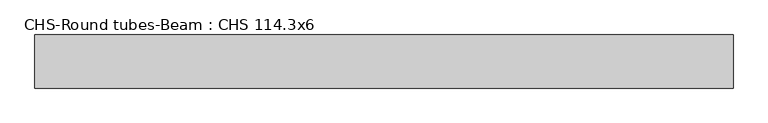
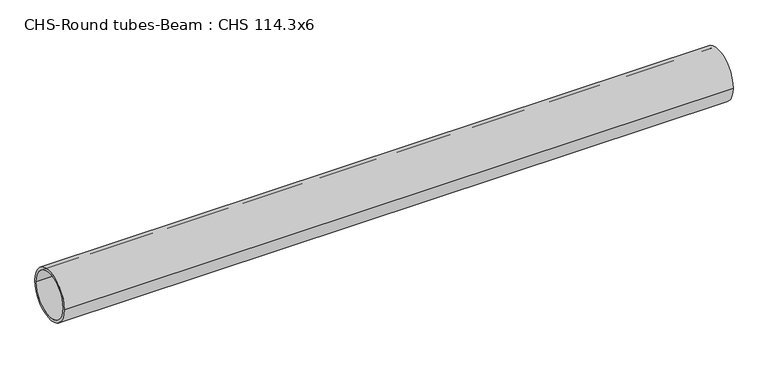
"""IFC4 building model written with IfcOpenShell, lengths in millimetres: beam geometry, CHS-Round tubes-Beam : CHS 114.3x6."""

import ifcopenshell
import ifcopenshell.guid

model = None  # the IFC model being written
_history = None  # IfcOwnerHistory: only IFC2X3 demands one
_inside = {}  # id of a spatial element -> (the spatial element, [elements in it])
_under = {}  # id of a project, library or spatial element -> (it, [spatial elements below it])
_declared = {}  # id of a project -> (the project, [libraries it declares])
_typed = {}  # id of a type object -> (the type object, [elements of that type])
_made_of = {}  # id of a material, layer set ... -> (it, [elements and type objects made of it])


def new_model(schema):
    """Start an empty IFC model of exactly this schema.

    Asked for "IFC4X3", IfcOpenShell would pick the latest addendum, in which some entities
    have other attributes; the version numbers below select the first issue.
    IFC2X3 requires an IfcOwnerHistory on every rooted entity: one is made here for all.
    """
    global model, _history
    if schema == "IFC4X3":
        model = ifcopenshell.file(schema_version=(4, 3, 0, 0))
    else:
        model = ifcopenshell.file(schema=schema)
    _inside.clear()
    _under.clear()
    _declared.clear()
    _typed.clear()
    _made_of.clear()
    _history = None
    if model.schema == "IFC2X3":
        org = make("IfcOrganization", Name="unknown")
        user = make(
            "IfcPersonAndOrganization",
            ThePerson=make("IfcPerson", FamilyName="unknown"),
            TheOrganization=org,
        )
        app = make(
            "IfcApplication",
            ApplicationDeveloper=org,
            Version="unknown",
            ApplicationFullName="unknown",
            ApplicationIdentifier="unknown",
        )
        _history = make(
            "IfcOwnerHistory",
            OwningUser=user,
            OwningApplication=app,
            ChangeAction="ADDED",
            CreationDate=0,
        )
    return model


def make(cls, **values):
    """One entity of the class cls with the attributes given. An attribute that is None is left unset."""
    return model.create_entity(
        cls, **{name: value for name, value in values.items() if value is not None}
    )


def rooted(cls, **values):
    """An entity with a GlobalId (a new one), such as an element, a storey or a relation."""
    return make(cls, GlobalId=ifcopenshell.guid.new(), OwnerHistory=_history, **values)


def si_unit(unit_type, name, prefix=None):
    """IfcSIUnit, for example si_unit("LENGTHUNIT", "METRE", prefix="MILLI")."""
    return make("IfcSIUnit", UnitType=unit_type, Prefix=prefix, Name=name)


def assignment(units):
    """IfcUnitAssignment: the units of a project."""
    return None if units is None else make("IfcUnitAssignment", Units=units)


def point(xyz):
    """IfcCartesianPoint."""
    return None if xyz is None else make("IfcCartesianPoint", Coordinates=xyz)


def direction(xyz):
    """IfcDirection."""
    return None if xyz is None else make("IfcDirection", DirectionRatios=xyz)


def frame(location, z_axis=None, x_axis=None):
    """IfcAxis2Placement3D, a coordinate frame: its origin and axes. An axis left out is left unset."""
    return make(
        "IfcAxis2Placement3D",
        Location=point(location),
        Axis=direction(z_axis),
        RefDirection=direction(x_axis),
    )


def frame_2d(location, x_axis=None):
    """IfcAxis2Placement2D, a coordinate frame in the plane: its origin and x axis."""
    return make(
        "IfcAxis2Placement2D", Location=point(location), RefDirection=direction(x_axis)
    )


def origin():
    """The frame at (0, 0, 0) with its axes left unset."""
    return frame((0.0, 0.0, 0.0))


def origin_2d():
    """The frame at (0, 0) in the plane with its x axis left unset."""
    return frame_2d((0.0, 0.0))


def place(relative_to, where):
    """IfcLocalPlacement: puts the frame where relative to a parent placement (None: the world)."""
    return make(
        "IfcLocalPlacement", PlacementRelTo=relative_to, RelativePlacement=where
    )


def context(
    kind, dimensions, precision=None, world=None, true_north=None, identifier=None
):
    """IfcGeometricRepresentationContext, for example the 3D "Model" context."""
    return make(
        "IfcGeometricRepresentationContext",
        ContextIdentifier=identifier,
        ContextType=kind,
        CoordinateSpaceDimension=dimensions,
        Precision=precision,
        WorldCoordinateSystem=world,
        TrueNorth=true_north,
    )


def project(units=None, contexts=None):
    """IfcProject with its units and contexts."""
    return rooted(
        "IfcProject",
        Name="project",
        RepresentationContexts=contexts,
        UnitsInContext=assignment(units),
    )


def spatial(cls, under=None, at=None, **own):
    """A site, building, storey or space (cls), placed at a placement, below another one or the project."""
    s = rooted(cls, ObjectPlacement=at, **own)
    if under is not None:
        _under.setdefault(under.id(), (under, []))[1].append(s)
    return s


def circle_curve(where, radius):
    """IfcCircle in the frame where."""
    return make("IfcCircle", Position=where, Radius=radius)


def trimmed(basis, trim1, trim2, sense, master):
    """IfcTrimmedCurve: the piece of a basis curve between two trims."""
    return make(
        "IfcTrimmedCurve",
        BasisCurve=basis,
        Trim1=trim1,
        Trim2=trim2,
        SenseAgreement=sense,
        MasterRepresentation=master,
    )


def segment(curve, same_sense, transition):
    """IfcCompositeCurveSegment."""
    return make(
        "IfcCompositeCurveSegment",
        Transition=transition,
        SameSense=same_sense,
        ParentCurve=curve,
    )


def composite_curve(segments, self_intersect=None):
    """IfcCompositeCurve: segments joined end to end."""
    return make("IfcCompositeCurve", Segments=segments, SelfIntersect=self_intersect)


def outline(outer, holes=None, kind="AREA"):
    """IfcArbitraryClosedProfileDef: a profile drawn as a closed curve; with holes, ...WithVoids."""
    if holes is None:
        return make("IfcArbitraryClosedProfileDef", ProfileType=kind, OuterCurve=outer)
    return make(
        "IfcArbitraryProfileDefWithVoids",
        ProfileType=kind,
        OuterCurve=outer,
        InnerCurves=holes,
    )


def extrude(swept, where, along, depth):
    """IfcExtrudedAreaSolid: the profile swept, set in the frame where, extruded along a direction by depth."""
    return make(
        "IfcExtrudedAreaSolid",
        SweptArea=swept,
        Position=where,
        ExtrudedDirection=direction(along),
        Depth=depth,
    )


def shape(context_of_items, identifier, shape_type, items):
    """IfcShapeRepresentation: the items that make up one representation, for example the "Body"."""
    return make(
        "IfcShapeRepresentation",
        ContextOfItems=context_of_items,
        RepresentationIdentifier=identifier,
        RepresentationType=shape_type,
        Items=items,
    )


def source(mapping_origin, context_of_items, identifier, shape_type, items):
    """IfcRepresentationMap: a shape defined once, which mapped items show again and again."""
    return make(
        "IfcRepresentationMap",
        MappingOrigin=mapping_origin,
        MappedRepresentation=shape(context_of_items, identifier, shape_type, items),
    )


def transform(
    local_origin,
    x_axis=None,
    y_axis=None,
    z_axis=None,
    scale=None,
    scale2=None,
    scale3=None,
    uniform=True,
):
    """IfcCartesianTransformationOperator3D, or its non-uniform kind. x_axis, y_axis, z_axis: its Axis1, 2, 3."""
    if uniform:
        return make(
            "IfcCartesianTransformationOperator3D",
            Axis1=direction(x_axis),
            Axis2=direction(y_axis),
            LocalOrigin=point(local_origin),
            Scale=scale,
            Axis3=direction(z_axis),
        )
    return make(
        "IfcCartesianTransformationOperator3DnonUniform",
        Axis1=direction(x_axis),
        Axis2=direction(y_axis),
        LocalOrigin=point(local_origin),
        Scale=scale,
        Axis3=direction(z_axis),
        Scale2=scale2,
        Scale3=scale3,
    )


def mapped(mapping_source, mapping_target):
    """IfcMappedItem: shows the shape of a source again, moved by a transform."""
    return make(
        "IfcMappedItem", MappingSource=mapping_source, MappingTarget=mapping_target
    )


def made_of(thing, what):
    """Note that an element or type object is made of a material, layer set ...; save() writes the relation."""
    if what is not None:
        _made_of.setdefault(what.id(), (what, []))[1].append(thing)
    return thing


def element(
    cls,
    number,
    at=None,
    inside=None,
    cuts=None,
    type_object=None,
    material=None,
    context=None,
    identifier="Body",
    shape_type=None,
    held_by="IfcProductDefinitionShape",
    body=None,
    shapes=None,
    **own,
):
    """One element of the class cls, such as IfcWall. Its Tag is "e" and its number.

    at: its placement. inside: the storey or other place that contains it. cuts: it is an
    opening in that element (IfcRelVoidsElement). A single representation is given by context,
    identifier, shape_type and body (its items); several are given by shapes. held_by: the class
    of the entity that holds the representations. save() writes the other relations.
    """
    e = rooted(cls, Tag="e%d" % number, ObjectPlacement=at, **own)
    if body is not None:
        shapes = [shape(context, identifier, shape_type, body)]
    if shapes is not None:
        e.Representation = make(held_by, Representations=shapes)
    if inside is not None:
        _inside.setdefault(inside.id(), (inside, []))[1].append(e)
    if cuts is not None:
        rooted(
            "IfcRelVoidsElement", RelatingBuildingElement=cuts, RelatedOpeningElement=e
        )
    if type_object is not None:
        _typed.setdefault(type_object.id(), (type_object, []))[1].append(e)
    return made_of(e, material)


def aggregate(whole, parts):
    """IfcRelAggregates: a whole, such as a stair, and the parts it consists of."""
    return rooted("IfcRelAggregates", RelatingObject=whole, RelatedObjects=parts)


def save(model, path):
    """Write the relations noted so far, then the file.

    IfcRelAggregates (storeys below a building ...), IfcRelContainedInSpatialStructure (elements
    in a storey), IfcRelDefinesByType, IfcRelAssociatesMaterial and IfcRelDeclares: one each for
    every whole, place, type object, material and project.
    """
    for whole, parts in _under.values():
        aggregate(whole, parts)
    for where, things in _inside.values():
        rooted(
            "IfcRelContainedInSpatialStructure",
            RelatedElements=things,
            RelatingStructure=where,
        )
    for kind, things in _typed.values():
        rooted("IfcRelDefinesByType", RelatedObjects=things, RelatingType=kind)
    for what, things in _made_of.values():
        rooted("IfcRelAssociatesMaterial", RelatedObjects=things, RelatingMaterial=what)
    for by, libraries in _declared.values():
        rooted("IfcRelDeclares", RelatingContext=by, RelatedDefinitions=libraries)
    model.write(path)


def chs_round_tubes_beam_chs_114_3x6_9a512372(model_context):
    return source(origin(), model_context, "Body", "SweptSolid", [
        extrude(outline(composite_curve([segment(trimmed(circle_curve(origin_2d(), 57.15), [point((57.15, 0.0))], [point((-57.15, 0.0))], False, "CARTESIAN"), True, "CONTINUOUS"), segment(trimmed(circle_curve(origin_2d(), 57.15), [point((-57.15, 0.0))], [point((57.15, 0.0))], False, "CARTESIAN"), True, "CONTINUOUS")], self_intersect=False), holes=[composite_curve([segment(trimmed(circle_curve(origin_2d(), 51.15), [point((51.15, 0.0))], [point((-51.15, 0.0))], True, "CARTESIAN"), True, "CONTINUOUS"), segment(trimmed(circle_curve(origin_2d(), 51.15), [point((-51.15, 0.0))], [point((51.15, 0.0))], True, "CARTESIAN"), True, "CONTINUOUS")], self_intersect=False)]), frame((-736.7252595, 0.0, 0.0), z_axis=(1.0, 0.0, 0.0), x_axis=(0.0, 1.0, 0.0)), (0.0, 0.0, 1.0), 1501.7971851),
    ])


if __name__ == "__main__":
    model = new_model("IFC4")
    model_context = context("Model", 3, world=origin())
    ifc_project = project(units=[si_unit("LENGTHUNIT", "METRE", prefix="MILLI")], contexts=[model_context])
    site = spatial("IfcSite", under=ifc_project)
    building = spatial("IfcBuilding", under=site)
    placement = place(None, origin())
    chs_round_tubes_beam_chs_114_3x6_shape = chs_round_tubes_beam_chs_114_3x6_9a512372(model_context)
    element("IfcBeam", 1, ObjectType="CHS-Round tubes-Beam : CHS 114.3x6", at=placement, inside=building, context=model_context, shape_type="MappedRepresentation", body=[
        mapped(chs_round_tubes_beam_chs_114_3x6_shape, transform((0.0, 0.0, 0.0), x_axis=(1.0, 0.0, 0.0), y_axis=(0.0, 1.0, 0.0), z_axis=(0.0, 0.0, 1.0))),
    ])
    save(model, "model.ifc")
